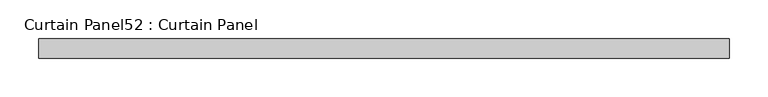
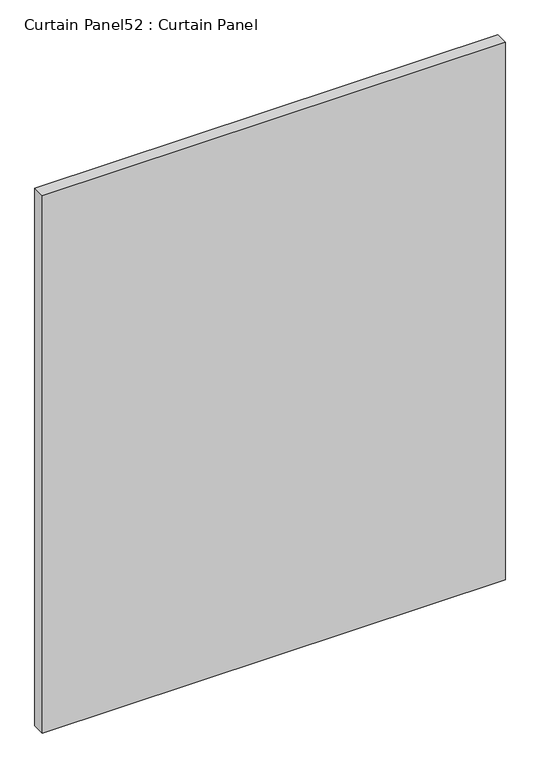
"""IFC4 building model written with IfcOpenShell, lengths in millimetres: plate geometry, Curtain Panel52 : Curtain Panel."""

from ifc_helpers import new_model, si_unit, frame, origin, place, context, project, spatial, polyline, outline, extrude, source, transform, mapped, element, save


def curtain_panel52_curtain_panel_172d2039(model_context):
    return source(origin(), model_context, "Body", "SweptSolid", [
        extrude(outline(polyline([(-40990.1811382, -3859.9631042), (-41885.5309118, -3859.9631042), (-41885.5309118, -3834.5631042), (-40990.1811382, -3834.5631042), (-40990.1811382, -3859.9631042)])), frame((0.0, 0.0, 57.2603278), z_axis=(0.0, 0.0, 1.0), x_axis=(1.0, 0.0, 0.0)), (0.0, 0.0, 1.0), 1098.2362863),
    ])


if __name__ == "__main__":
    model = new_model("IFC4")
    model_context = context("Model", 3, world=origin())
    ifc_project = project(units=[si_unit("LENGTHUNIT", "METRE", prefix="MILLI")], contexts=[model_context])
    site = spatial("IfcSite", under=ifc_project)
    building = spatial("IfcBuilding", under=site)
    placement = place(None, origin())
    curtain_panel52_curtain_panel_shape = curtain_panel52_curtain_panel_172d2039(model_context)
    element("IfcPlate", 1, ObjectType="Curtain Panel52 : Curtain Panel", at=placement, inside=building, context=model_context, shape_type="MappedRepresentation", body=[
        mapped(curtain_panel52_curtain_panel_shape, transform((0.0, 0.0, 0.0), x_axis=(1.0, 0.0, 0.0), y_axis=(0.0, 1.0, 0.0), z_axis=(0.0, 0.0, 1.0))),
    ])
    save(model, "model.ifc")
